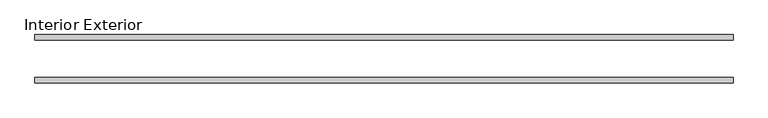
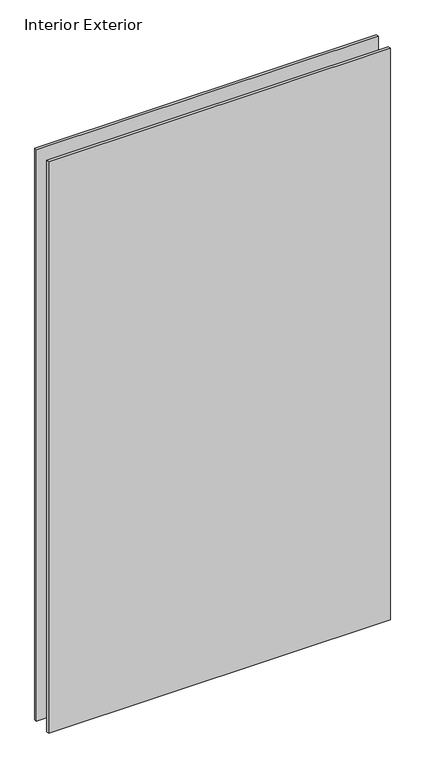
"""IFC4 building model written with IfcOpenShell, lengths in millimetres: plate geometry, Interior Exterior."""

from ifc_helpers import new_model, si_unit, frame, origin, place, context, project, spatial, polyline, outline, extrude, source, transform, mapped, element, save


def interior_exterior_872b7528(model_context):
    return source(origin(), model_context, "Body", "SweptSolid", [
        extrude(outline(polyline([(598.4875, -41.275), (-598.4875, -41.275), (-598.4875, -31.75), (598.4875, -31.75), (598.4875, -41.275)])), frame((0.0, 0.0, -25.4), z_axis=(0.0, 0.0, 1.0), x_axis=(1.0, 0.0, 0.0)), (0.0, 0.0, 1.0), 2114.0000008),
        extrude(outline(polyline([(598.4875, 41.275), (598.4875, 31.75), (-598.4875, 31.75), (-598.4875, 41.275), (598.4875, 41.275)])), frame((0.0, 0.0, -25.4), z_axis=(0.0, 0.0, 1.0), x_axis=(1.0, 0.0, 0.0)), (0.0, 0.0, 1.0), 2114.0000008),
    ])


if __name__ == "__main__":
    model = new_model("IFC4")
    model_context = context("Model", 3, world=origin())
    ifc_project = project(units=[si_unit("LENGTHUNIT", "METRE", prefix="MILLI")], contexts=[model_context])
    site = spatial("IfcSite", under=ifc_project)
    building = spatial("IfcBuilding", under=site)
    placement = place(None, origin())
    interior_exterior_shape = interior_exterior_872b7528(model_context)
    element("IfcPlate", 1, ObjectType="Interior Exterior", at=placement, inside=building, context=model_context, shape_type="MappedRepresentation", body=[
        mapped(interior_exterior_shape, transform((0.0, 0.0, 0.0), x_axis=(1.0, 0.0, 0.0), y_axis=(0.0, 1.0, 0.0), z_axis=(0.0, 0.0, 1.0))),
    ])
    save(model, "model.ifc")
